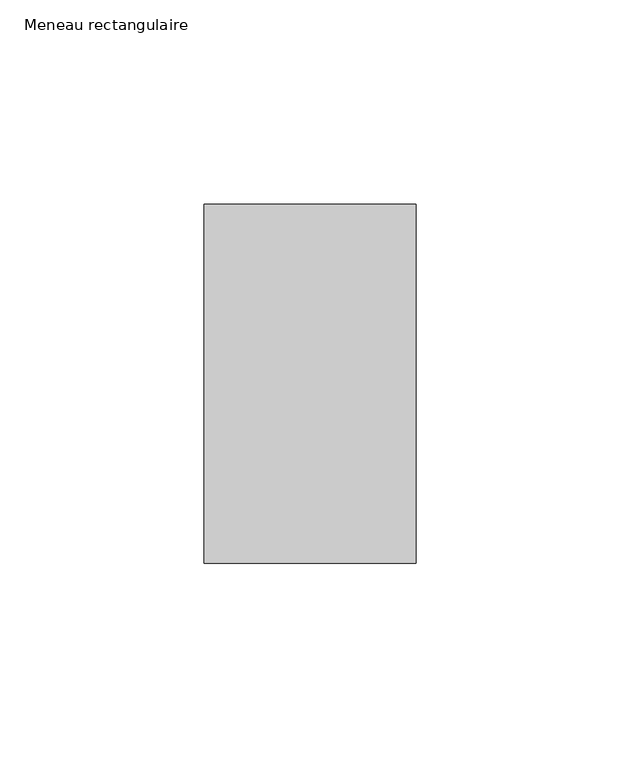
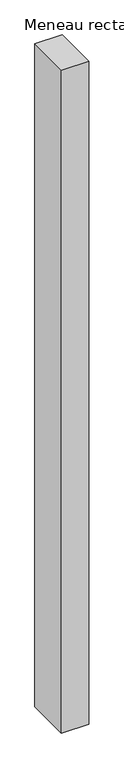
"""IFC4 building model written with IfcOpenShell, lengths in millimetres: member geometry, Meneau rectangulaire."""

from ifc_helpers import new_model, si_unit, frame, origin, place, context, project, spatial, polyline, outline, extrude, source, transform, mapped, element, save


def meneau_rectangulaire_6fdfe28b(model_context):
    return source(origin(), model_context, "Body", "SweptSolid", [
        extrude(outline(polyline([(-52.0, 44.0), (0.0, 44.0), (0.0, -44.0), (-52.0, -44.0), (-52.0, 44.0)])), frame((0.0, 0.0, -1341.3333335), z_axis=(0.0, 0.0, 1.0), x_axis=(1.0, 0.0, 0.0)), (0.0, 0.0, 1.0), 1341.3333335),
    ])


if __name__ == "__main__":
    model = new_model("IFC4")
    model_context = context("Model", 3, world=origin())
    ifc_project = project(units=[si_unit("LENGTHUNIT", "METRE", prefix="MILLI")], contexts=[model_context])
    site = spatial("IfcSite", under=ifc_project)
    building = spatial("IfcBuilding", under=site)
    placement = place(None, origin())
    meneau_rectangulaire_shape = meneau_rectangulaire_6fdfe28b(model_context)
    element("IfcMember", 1, ObjectType="Meneau rectangulaire", at=placement, inside=building, context=model_context, shape_type="MappedRepresentation", body=[
        mapped(meneau_rectangulaire_shape, transform((0.0, 0.0, 0.0), x_axis=(1.0, 0.0, 0.0), y_axis=(0.0, 1.0, 0.0), z_axis=(0.0, 0.0, 1.0))),
    ])
    save(model, "model.ifc")
